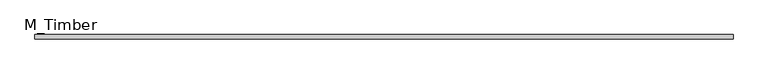
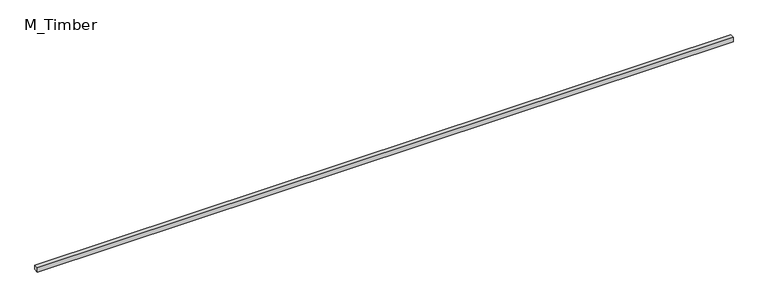
"""IFC4 building model written with IfcOpenShell, lengths in millimetres: beam geometry, M_Timber."""

from ifc_helpers import new_model, si_unit, frame, origin, place, context, project, spatial, polyline, outline, extrude, source, transform, mapped, element, save


def m_timber_abddbd9b(model_context):
    return source(origin(), model_context, "Body", "SweptSolid", [
        extrude(outline(polyline([(3110.0024398, 20.0), (3110.0024398, -20.0), (-3110.0024398, -20.0), (-3110.0024398, 20.0), (3110.0024398, 20.0)])), frame((0.0, 0.0, -20.0), z_axis=(0.0, 0.0, 1.0), x_axis=(1.0, 0.0, 0.0)), (0.0, 0.0, 1.0), 40.0),
    ])


if __name__ == "__main__":
    model = new_model("IFC4")
    model_context = context("Model", 3, world=origin())
    ifc_project = project(units=[si_unit("LENGTHUNIT", "METRE", prefix="MILLI")], contexts=[model_context])
    site = spatial("IfcSite", under=ifc_project)
    building = spatial("IfcBuilding", under=site)
    placement = place(None, origin())
    m_timber_shape = m_timber_abddbd9b(model_context)
    element("IfcBeam", 1, ObjectType="M_Timber", at=placement, inside=building, context=model_context, shape_type="MappedRepresentation", body=[
        mapped(m_timber_shape, transform((0.0, 0.0, 0.0), x_axis=(1.0, 0.0, 0.0), y_axis=(0.0, 1.0, 0.0), z_axis=(0.0, 0.0, 1.0))),
    ])
    save(model, "model.ifc")
